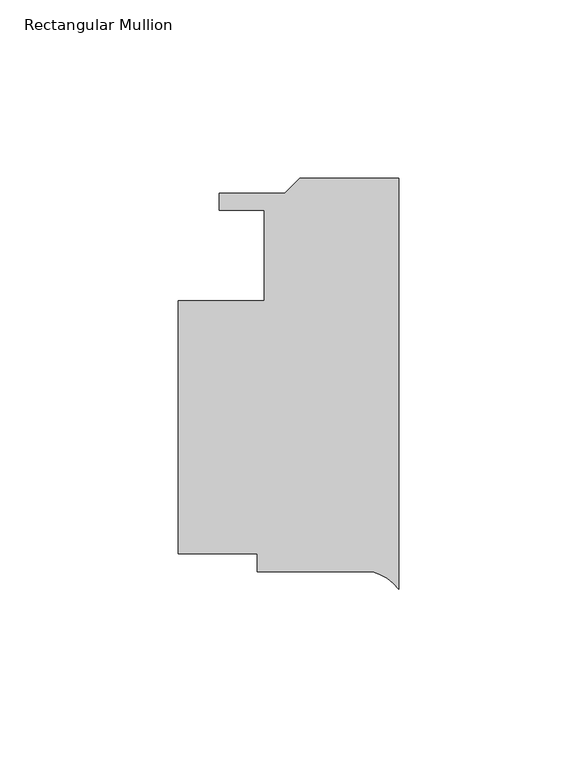
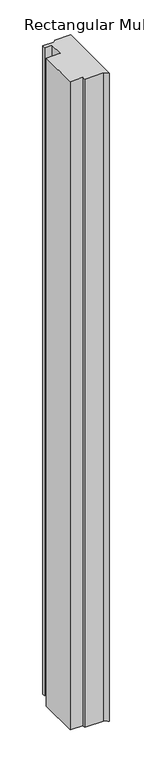
"""IFC4 building model written with IfcOpenShell, lengths in millimetres: member geometry, Rectangular Mullion."""

from ifc_helpers import new_model, si_unit, point, frame, frame_2d, origin, place, context, project, spatial, polyline, circle_curve, trimmed, segment, composite_curve, outline, extrude, source, transform, mapped, element, save


def rectangular_mullion_f502cd2a(model_context):
    return source(origin(), model_context, "Body", "SweptSolid", [
        extrude(outline(composite_curve([segment(trimmed(circle_curve(frame_2d((-10.8038066, -114.8466887)), 13.6928942), [point((0.0, -106.4340129))], [point((-7.2766376, -101.615875))], True, "CARTESIAN"), True, "CONTINUOUS"), segment(polyline([(-7.2766376, -101.615875), (-39.671625, -101.615875), (-39.671625, -96.535875), (-61.896625, -96.535875), (-61.896625, -25.4158752), (-37.7102745, -25.4158752), (-37.7102745, -0.0158751), (-50.4102745, -0.0158751), (-50.4102745, 4.683125), (-32.0277667, 4.683125), (-27.7605667, 8.950325), (0.0, 8.950325), (0.0, -106.4340129)]), True, "CONTINUOUS")], self_intersect=False)), frame((0.0, 0.0, -1187.4560108), z_axis=(0.0, 0.0, 1.0), x_axis=(1.0, 0.0, 0.0)), (0.0, 0.0, 1.0), 1187.4560108),
    ])


if __name__ == "__main__":
    model = new_model("IFC4")
    model_context = context("Model", 3, world=origin())
    ifc_project = project(units=[si_unit("LENGTHUNIT", "METRE", prefix="MILLI")], contexts=[model_context])
    site = spatial("IfcSite", under=ifc_project)
    building = spatial("IfcBuilding", under=site)
    placement = place(None, origin())
    rectangular_mullion_shape = rectangular_mullion_f502cd2a(model_context)
    element("IfcMember", 1, ObjectType="Rectangular Mullion", at=placement, inside=building, context=model_context, shape_type="MappedRepresentation", body=[
        mapped(rectangular_mullion_shape, transform((0.0, 0.0, 0.0), x_axis=(1.0, 0.0, 0.0), y_axis=(0.0, 1.0, 0.0), z_axis=(0.0, 0.0, 1.0))),
    ])
    save(model, "model.ifc")
